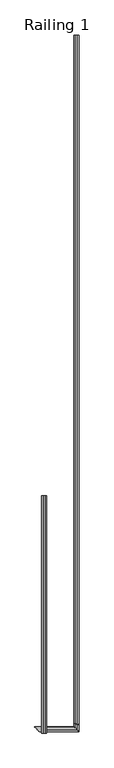
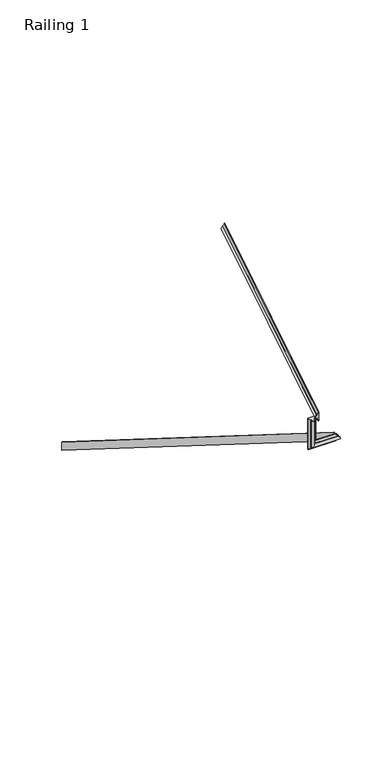
"""IFC4 building model written with IfcOpenShell, lengths in millimetres: railing geometry, Railing 1."""

from ifc_helpers import new_model, si_unit, frame, origin, place, context, project, spatial, polyline, ellipse_curve, source, transform, mapped, element, save
from ifc_brep_helpers import plane_surface, cylinder_surface, revolved_surface, advanced_brep


def railing_1_8fdb9729(model_context):
    return source(origin(), model_context, "Body", "AdvancedBrep", [
        advanced_brep(
        [(539.5790884, 5731.4785253, 1098.7700646), (542.5790884, 5731.4785253, 1098.7700646), (551.0790884, 5731.4785253, 1086.9586208), (551.0790884, 5731.4785253, 1083.7104738), (551.0790884, 5731.4785253, 1063.6310194), (551.0790884, 5731.4785253, 1060.3828723), (542.5790884, 5731.4785253, 1048.5714286), (539.5790884, 5731.4785253, 1048.5714286), (539.5790884, 3031.4785253, 2745.7142857), (539.5790884, 3043.7263554, 2788.2142857), (539.5790884, 3031.0785253, 2788.2142857), (539.5790884, 3031.0785253, 2745.7142857), (385.5700888, 3031.0785253, 2745.7142857), (428.0700888, 3031.0785253, 2788.2142857), (428.0700888, 3031.0785253, 2934.0342857), (385.5700888, 3031.0785253, 2934.0342857), (385.5700888, 3028.0785253, 2932.1485714), (395.5700888, 3019.5785253, 2926.8057143), (398.3200888, 3019.5785253, 2926.8057143), (415.3200888, 3019.5785253, 2926.8057143), (418.0700888, 3019.5785253, 2926.8057143), (428.0700888, 3028.0785253, 2932.1485714), (542.5790884, 3043.7263554, 2788.2142857), (551.0790884, 3040.844513, 2778.2142857), (551.0790884, 3040.0520063, 2775.4642857), (551.0790884, 3035.1528743, 2758.4642857), (551.0790884, 3034.3603676, 2755.7142857), (542.5790884, 3031.4785253, 2745.7142857), (542.5790884, 3028.0785253, 2788.2142857), (551.0790884, 3019.5785253, 2778.2142857), (551.0790884, 3019.5785253, 2775.4642857), (551.0790884, 3019.5785253, 2758.4642857), (551.0790884, 3019.5785253, 2755.7142857), (542.5790884, 3028.0785253, 2745.7142857), (428.0700888, 3028.0785253, 2788.2142857), (418.0700888, 3019.5785253, 2778.2142857), (415.3200888, 3019.5785253, 2775.4642857), (398.3200888, 3019.5785253, 2758.4642857), (395.5700888, 3019.5785253, 2755.7142857), (385.5700888, 3028.0785253, 2745.7142857)],
        [
            (0, 1),
            (1, 2, ellipse_curve(frame((556.5778789, 5731.4785253, 1102.6518624), z_axis=(0.0, -1.0, 0.0), x_axis=(0.0, 0.0, 1.0)), 16.9841429, 14.3793961)),
            (2, 3),
            (3, 4, ellipse_curve(frame((551.0790884, 5731.4785253, 1073.6707466), z_axis=(0.0, 1.0, 0.0), x_axis=(0.0, 0.0, -1.0)), 10.0397272, 8.5)),
            (4, 5),
            (5, 6, ellipse_curve(frame((556.5778789, 5731.4785253, 1044.6896308), z_axis=(0.0, -1.0, 0.0), x_axis=(0.0, 0.0, 1.0)), 16.9841429, 14.3793961)),
            (6, 7),
            (7, 0),
            (7, 8),
            (8, 9),
            (9, 0),
            (10, 11),
            (11, 12),
            (12, 13),
            (13, 10),
            (14, 15),
            (15, 16),
            (16, 17, ellipse_curve(frame((382.2836169, 3014.0797348, 2923.3493317), z_axis=(0.0, 0.5321715452183455, -0.846636549211005), x_axis=(0.0, 0.846636549211005, 0.5321715452183458)), 16.9841429, 14.3793961)),
            (17, 18),
            (18, 19, ellipse_curve(frame((406.8200888, 3019.5785253, 2926.8057143), z_axis=(0.0, -0.5321715452183455, 0.846636549211005), x_axis=(0.0, -0.846636549211005, -0.5321715452183458)), 10.0397272, 8.5)),
            (19, 20),
            (20, 21, ellipse_curve(frame((431.3565607, 3014.0797348, 2923.3493317), z_axis=(0.0, 0.5321715452183455, -0.846636549211005), x_axis=(0.0, 0.846636549211005, 0.5321715452183458)), 16.9841429, 14.3793961)),
            (21, 14),
            (12, 15),
            (14, 13),
            (8, 11),
            (10, 9),
            (9, 22),
            (22, 1),
            (22, 23, ellipse_curve(frame((556.5778789, 3044.6734648, 2791.5007576), z_axis=(0.0, -0.9608945179391454, 0.2769146536290516), x_axis=(0.0, 0.27691465362905193, 0.9608945179391452)), 14.9645938, 14.3793961)),
            (23, 2),
            (23, 24),
            (24, 3),
            (24, 25, ellipse_curve(frame((551.0790884, 3037.6024403, 2766.9642857), z_axis=(0.0, 0.9608945179391454, -0.2769146536290516), x_axis=(0.0, -0.27691465362905193, -0.9608945179391452)), 8.8459241, 8.5)),
            (25, 4),
            (25, 26),
            (26, 5),
            (26, 27, ellipse_curve(frame((556.5778789, 3030.5314159, 2742.4278138), z_axis=(0.0, -0.9608945179391454, 0.2769146536290516), x_axis=(0.0, 0.27691465362905193, 0.9608945179391452)), 14.9645938, 14.3793961)),
            (27, 6),
            (27, 8),
            (10, 28),
            (28, 22),
            (28, 29, ellipse_curve(frame((556.5778789, 3014.0797348, 2791.5007576), z_axis=(-0.7071067811865462, -0.7071067811865488, 0.0), x_axis=(0.7071067811865487, -0.7071067811865462, 0.0)), 20.335537, 14.3793961)),
            (29, 23),
            (29, 30),
            (30, 24),
            (30, 31, ellipse_curve(frame((551.0790884, 3019.5785253, 2766.9642857), z_axis=(0.7071067811865462, 0.7071067811865488, 0.0), x_axis=(-0.7071067811865487, 0.7071067811865462, 0.0)), 12.0208153, 8.5)),
            (31, 25),
            (31, 32),
            (32, 26),
            (32, 33, ellipse_curve(frame((556.5778789, 3014.0797348, 2742.4278138), z_axis=(-0.7071067811865462, -0.7071067811865488, 0.0), x_axis=(0.7071067811865487, -0.7071067811865462, 0.0)), 20.335537, 14.3793961)),
            (33, 27),
            (33, 11),
            (13, 34),
            (34, 28),
            (34, 35, ellipse_curve(frame((431.3565607, 3014.0797348, 2791.5007576), z_axis=(-0.7071067811865475, 0.0, 0.7071067811865475), x_axis=(-0.7071067811865476, 0.0, -0.7071067811865474)), 20.335537, 14.3793961)),
            (35, 29),
            (35, 36),
            (36, 30),
            (36, 37, ellipse_curve(frame((406.8200888, 3019.5785253, 2766.9642857), z_axis=(0.7071067811865475, 0.0, -0.7071067811865475), x_axis=(0.7071067811865476, 0.0, 0.7071067811865474)), 12.0208153, 8.5)),
            (37, 31),
            (37, 38),
            (38, 32),
            (38, 39, ellipse_curve(frame((382.2836169, 3014.0797348, 2742.4278138), z_axis=(-0.7071067811865475, 0.0, 0.7071067811865475), x_axis=(-0.7071067811865476, 0.0, -0.7071067811865474)), 20.335537, 14.3793961)),
            (39, 33),
            (39, 12),
            (21, 34),
            (20, 35),
            (19, 36),
            (18, 37),
            (17, 38),
            (16, 39),
        ],
        [
            plane_surface(frame((564.5790884, 5731.4785253, 1048.5714286), z_axis=(0.0, 1.0, 0.0), x_axis=(0.0, 0.0, -1.0))),
            plane_surface(frame((539.5790884, 5731.4785253, 1048.5714286), z_axis=(-1.0, 0.0, 0.0), x_axis=(0.0, -0.8466365492110048, 0.5321715452183458))),
            plane_surface(frame((539.5790884, 3031.0785253, 2745.7142857), z_axis=(0.0, 1.0, 0.0), x_axis=(-1.0, 0.0, 0.0))),
            plane_surface(frame((385.5700888, 3006.0785253, 2918.32), z_axis=(0.0, -0.5321715452183455, 0.846636549211005), x_axis=(1.0, 0.0, 0.0))),
            plane_surface(frame((385.5700888, 3031.0785253, 2745.7142857), z_axis=(0.0, 1.0, 0.0), x_axis=(0.0, 0.0, 1.0))),
            plane_surface(frame((539.5790884, 3031.4785253, 2745.7142857), z_axis=(-1.0, 0.0, 0.0), x_axis=(0.0, -1.0, 0.0))),
            plane_surface(frame((539.5790884, 5731.4785253, 1098.7700646), z_axis=(0.0, 0.5321715452183459, 0.8466365492110048), x_axis=(0.0, -0.8466365492110048, 0.5321715452183459))),
            revolved_surface(polyline([(542.1984828, 3041.1650746234027, 2793.706031382432), (542.1984828, 5739.1308307546515, 1097.8418418142187)]), (556.5778789, 5755.8447828, 1087.3359291), (0.0, -0.8466365492110048, 0.5321715452183458)),
            plane_surface(frame((551.0790884, 5731.4785253, 1086.9586208), z_axis=(1.0000000000000002, 0.0, 0.0), x_axis=(0.0, -0.8466365492110048, 0.5321715452183459))),
            cylinder_surface(frame((551.0790884, 5742.7871706, 1066.5624552), z_axis=(0.0, 0.8466365492110048, -0.5321715452183458), x_axis=(-1.0, 0.0, 0.0)), 8.5),
            plane_surface(frame((551.0790884, 5731.4785253, 1063.6310194), z_axis=(1.0, 0.0, 0.0), x_axis=(0.0, -0.8466365492110048, 0.5321715452183456))),
            revolved_surface(polyline([(542.1984828, 3027.02302571053, 2744.6330875619524), (542.1984828, 5739.130830705734, 1039.8796101363957)]), (556.5778789, 5729.7295584, 1045.7889813), (0.0, -0.8466365492110048, 0.5321715452183458)),
            plane_surface(frame((542.5790884, 5731.4785253, 1048.5714286), z_axis=(0.0, -0.5321715452183458, -0.8466365492110048), x_axis=(0.0, -0.8466365492110048, 0.5321715452183458))),
            plane_surface(frame((539.5790884, 3043.7263554, 2788.2142857), z_axis=(0.0, 0.0, 1.0), x_axis=(0.0, -1.0, 0.0))),
            revolved_surface(polyline([(542.1984828, 2999.70033868823, 2791.5007576), (542.1984828, 3048.8173801088265, 2791.5007576)]), (556.5778789, 3031.4785253, 2791.5007576), (0.0, -1.0, 0.0)),
            plane_surface(frame((551.0790884, 3040.844513, 2778.2142857), z_axis=(1.0, 0.0, 0.0), x_axis=(0.0, -1.0, 0.0))),
            cylinder_surface(frame((551.0790884, 3031.4785253, 2766.9642857), z_axis=(0.0, 1.0, 0.0), x_axis=(-1.0, 0.0, 0.0)), 8.5),
            plane_surface(frame((551.0790884, 3035.1528743, 2758.4642857), z_axis=(1.0, 0.0, 0.0), x_axis=(0.0, -1.0, 0.0))),
            revolved_surface(polyline([(542.1984828, 2999.70033868823, 2742.4278138), (542.1984828, 3034.6753312088263, 2742.4278138)]), (556.5778789, 3031.4785253, 2742.4278138), (0.0, -1.0, 0.0)),
            plane_surface(frame((542.5790884, 3031.4785253, 2745.7142857), z_axis=(0.0, 0.0, -1.0), x_axis=(0.0, -1.0, 0.0))),
            plane_surface(frame((539.5790884, 3031.0785253, 2788.2142857), z_axis=(0.0, 0.0, 1.0), x_axis=(-1.0, 0.0, 0.0))),
            revolved_surface(polyline([(416.97716458823004, 3028.4591309, 2791.5007576), (570.95727501177, 3028.4591309, 2791.5007576)]), (564.5790884, 3014.0797348, 2791.5007576), (-1.0, 0.0, 0.0)),
            plane_surface(frame((551.0790884, 3019.5785253, 2778.2142857), z_axis=(0.0, -1.0, 0.0), x_axis=(-1.0, 0.0, 0.0))),
            cylinder_surface(frame((564.5790884, 3019.5785253, 2766.9642857), z_axis=(1.0, 0.0, 0.0), x_axis=(0.0, 1.0, 0.0)), 8.5),
            plane_surface(frame((551.0790884, 3019.5785253, 2758.4642857), z_axis=(0.0, -1.0, 0.0), x_axis=(-1.0, 0.0, 0.0))),
            revolved_surface(polyline([(367.9042207882301, 3028.4591309, 2742.4278138), (570.95727501177, 3028.4591309, 2742.4278138)]), (564.5790884, 3014.0797348, 2742.4278138), (-1.0, 0.0, 0.0)),
            plane_surface(frame((542.5790884, 3028.0785253, 2745.7142857), z_axis=(0.0, 0.0, -1.0), x_axis=(-1.0, 0.0, 0.0))),
            plane_surface(frame((428.0700888, 3031.0785253, 2788.2142857), z_axis=(1.0, 0.0, 0.0), x_axis=(0.0, 0.0, 1.0))),
            revolved_surface(polyline([(431.3565607, 3028.4591309, 2932.3878092713026), (431.3565607, 3028.4591309, 2777.12136148823)]), (431.3565607, 3014.0797348, 2745.7142857), (0.0, 0.0, 1.0)),
            plane_surface(frame((418.0700888, 3019.5785253, 2778.2142857), z_axis=(0.0, -1.0, 0.0), x_axis=(0.0, 0.0, 1.0))),
            cylinder_surface(frame((406.8200888, 3019.5785253, 2745.7142857), z_axis=(0.0, 0.0, -1.0), x_axis=(0.0, 1.0, 0.0)), 8.5),
            plane_surface(frame((398.3200888, 3019.5785253, 2758.4642857), z_axis=(0.0, -1.0, 0.0), x_axis=(0.0, 0.0, 1.0))),
            revolved_surface(polyline([(382.2836169, 3028.4591309, 2932.3878092713026), (382.2836169, 3028.4591309, 2728.04841768823)]), (382.2836169, 3014.0797348, 2745.7142857), (0.0, 0.0, 1.0)),
            plane_surface(frame((385.5700888, 3028.0785253, 2745.7142857), z_axis=(-1.0, 0.0, 0.0), x_axis=(0.0, 0.0, 1.0))),
        ],
        [
            (0, [[1, 2, 3, 4, 5, 6, 7, 8]]),
            (1, [[-8, 9, 10, 11]]),
            (2, [[12, 13, 14, 15]]),
            (3, [[16, 17, 18, 19, 20, 21, 22, 23]]),
            (4, [[-14, 24, -16, 25]]),
            (5, [[-10, 26, -12, 27]]),
            (6, [[-1, -11, 28, 29]]),
            (7, [[-2, -29, 30, 31]]),
            (8, [[-3, -31, 32, 33]]),
            (9, [[-4, -33, 34, 35]]),
            (10, [[-5, -35, 36, 37]]),
            (11, [[-6, -37, 38, 39]]),
            (12, [[-7, -39, 40, -9]]),
            (13, [[-28, -27, 41, 42]]),
            (14, [[-30, -42, 43, 44]]),
            (15, [[-32, -44, 45, 46]]),
            (16, [[-34, -46, 47, 48]]),
            (17, [[-36, -48, 49, 50]]),
            (18, [[-38, -50, 51, 52]]),
            (19, [[-40, -52, 53, -26]]),
            (20, [[-41, -15, 54, 55]]),
            (21, [[-43, -55, 56, 57]]),
            (22, [[-45, -57, 58, 59]]),
            (23, [[-47, -59, 60, 61]]),
            (24, [[-49, -61, 62, 63]]),
            (25, [[-51, -63, 64, 65]]),
            (26, [[-53, -65, 66, -13]]),
            (27, [[-54, -25, -23, 67]]),
            (28, [[-56, -67, -22, 68]]),
            (29, [[-58, -68, -21, 69]]),
            (30, [[-60, -69, -20, 70]]),
            (31, [[-62, -70, -19, 71]]),
            (32, [[-64, -71, -18, 72]]),
            (33, [[-66, -72, -17, -24]]),
        ],
    ),
        advanced_brep(
        [(431.8200888, 3006.0785253, 2968.518636), (428.8200888, 3006.0785253, 2968.518636), (420.3200888, 3006.0785253, 2956.7071923), (420.3200888, 3006.0785253, 2953.4590452), (420.3200888, 3006.0785253, 2933.3795908), (420.3200888, 3006.0785253, 2930.1314438), (428.8200888, 3006.0785253, 2918.32), (431.8200888, 3006.0785253, 2918.32), (431.8200888, 3931.4785253, 3550.198636), (431.8200888, 3931.4785253, 3500.0), (428.8200888, 3931.4785253, 3500.0), (420.3200888, 3931.4785253, 3511.8114438), (420.3200888, 3931.4785253, 3515.0595908), (420.3200888, 3931.4785253, 3535.1390452), (420.3200888, 3931.4785253, 3538.3871923), (428.8200888, 3931.4785253, 3550.198636)],
        [
            (0, 1),
            (1, 2, ellipse_curve(frame((414.8212983, 3006.0785253, 2972.4004339), z_axis=(0.0, 1.0, 0.0), x_axis=(0.0, 0.0, 1.0)), 16.9841429, 14.3793961)),
            (2, 3),
            (3, 4, ellipse_curve(frame((420.3200888, 3006.0785253, 2943.419318), z_axis=(0.0, -1.0, 0.0), x_axis=(0.0, 0.0, -1.0)), 10.0397272, 8.5)),
            (4, 5),
            (5, 6, ellipse_curve(frame((414.8212983, 3006.0785253, 2914.4382022), z_axis=(0.0, 1.0, 0.0), x_axis=(0.0, 0.0, 1.0)), 16.9841429, 14.3793961)),
            (6, 7),
            (7, 0),
            (8, 9),
            (9, 10),
            (10, 11, ellipse_curve(frame((414.8212983, 3931.4785253, 3496.1182022), z_axis=(0.0, -1.0, 0.0), x_axis=(0.0, 0.0, 1.0)), 16.9841429, 14.3793961)),
            (11, 12),
            (12, 13, ellipse_curve(frame((420.3200888, 3931.4785253, 3525.099318), z_axis=(0.0, 1.0, 0.0), x_axis=(0.0, 0.0, -1.0)), 10.0397272, 8.5)),
            (13, 14),
            (14, 15, ellipse_curve(frame((414.8212983, 3931.4785253, 3554.0804339), z_axis=(0.0, -1.0, 0.0), x_axis=(0.0, 0.0, 1.0)), 16.9841429, 14.3793961)),
            (15, 8),
            (7, 9),
            (8, 0),
            (15, 1),
            (14, 2),
            (13, 3),
            (12, 4),
            (11, 5),
            (10, 6),
        ],
        [
            plane_surface(frame((406.8200888, 3006.0785253, 2918.32), z_axis=(0.0, -1.0, 0.0), x_axis=(0.0, 0.0, 1.0))),
            plane_surface(frame((406.8200888, 3931.4785253, 3500.0), z_axis=(0.0, 1.0, 0.0), x_axis=(0.0, 0.0, 1.0))),
            plane_surface(frame((431.8200888, 3006.0785253, 2918.32), z_axis=(1.0, 0.0, 0.0), x_axis=(0.0, 0.846636549211005, 0.5321715452183455))),
            plane_surface(frame((431.8200888, 3006.0785253, 2968.518636), z_axis=(0.0, -0.5321715452183455, 0.846636549211005), x_axis=(0.0, 0.846636549211005, 0.5321715452183455))),
            revolved_surface(polyline([(429.20069440000003, 3939.130830767525, 3558.890454465301), (429.20069440000003, 2998.426219845348, 2967.5904133142185)]), (414.8212983, 2981.7122678, 2957.0845006), (0.0, 0.846636549211005, 0.5321715452183455)),
            plane_surface(frame((420.3200888, 3006.0785253, 2956.7071923), z_axis=(-1.0, 0.0, 0.0), x_axis=(0.0, 0.846636549211005, 0.5321715452183455))),
            cylinder_surface(frame((420.3200888, 2994.7698799, 2936.3110267), z_axis=(0.0, -0.846636549211005, -0.5321715452183455), x_axis=(1.0, 0.0, 0.0)), 8.5),
            plane_surface(frame((420.3200888, 3006.0785253, 2933.3795908), z_axis=(-1.0, 0.0, 0.0), x_axis=(0.0, 0.846636549211005, 0.5321715452183455))),
            revolved_surface(polyline([(429.20069440000003, 3939.1308307430663, 3500.9282228042125), (429.20069440000003, 2998.4262198208894, 2909.6281816531305)]), (414.8212983, 3007.8274921, 2915.5375528), (0.0, 0.846636549211005, 0.5321715452183455)),
            plane_surface(frame((428.8200888, 3006.0785253, 2918.32), z_axis=(0.0, 0.5321715452183455, -0.846636549211005), x_axis=(0.0, 0.846636549211005, 0.5321715452183455))),
        ],
        [
            (0, [[1, 2, 3, 4, 5, 6, 7, 8]]),
            (1, [[9, 10, 11, 12, 13, 14, 15, 16]]),
            (2, [[-8, 17, -9, 18]]),
            (3, [[-1, -18, -16, 19]]),
            (4, [[-2, -19, -15, 20]]),
            (5, [[-3, -20, -14, 21]]),
            (6, [[-4, -21, -13, 22]]),
            (7, [[-5, -22, -12, 23]]),
            (8, [[-6, -23, -11, 24]]),
            (9, [[-7, -24, -10, -17]]),
        ],
    ),
    ])


if __name__ == "__main__":
    model = new_model("IFC4")
    model_context = context("Model", 3, world=origin())
    ifc_project = project(units=[si_unit("LENGTHUNIT", "METRE", prefix="MILLI")], contexts=[model_context])
    site = spatial("IfcSite", under=ifc_project)
    building = spatial("IfcBuilding", under=site)
    placement = place(None, origin())
    railing_1_shape = railing_1_8fdb9729(model_context)
    element("IfcRailing", 1, ObjectType="Railing 1", at=placement, inside=building, context=model_context, shape_type="MappedRepresentation", body=[
        mapped(railing_1_shape, transform((0.0, 0.0, 0.0), x_axis=(1.0, 0.0, 0.0), y_axis=(0.0, 1.0, 0.0), z_axis=(0.0, 0.0, 1.0))),
    ])
    save(model, "model.ifc")
